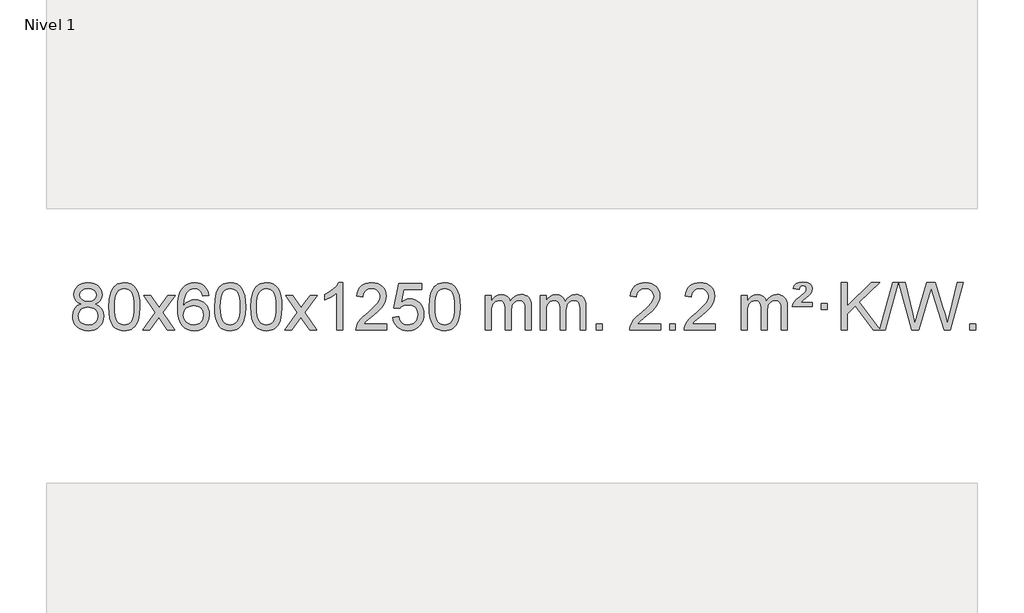
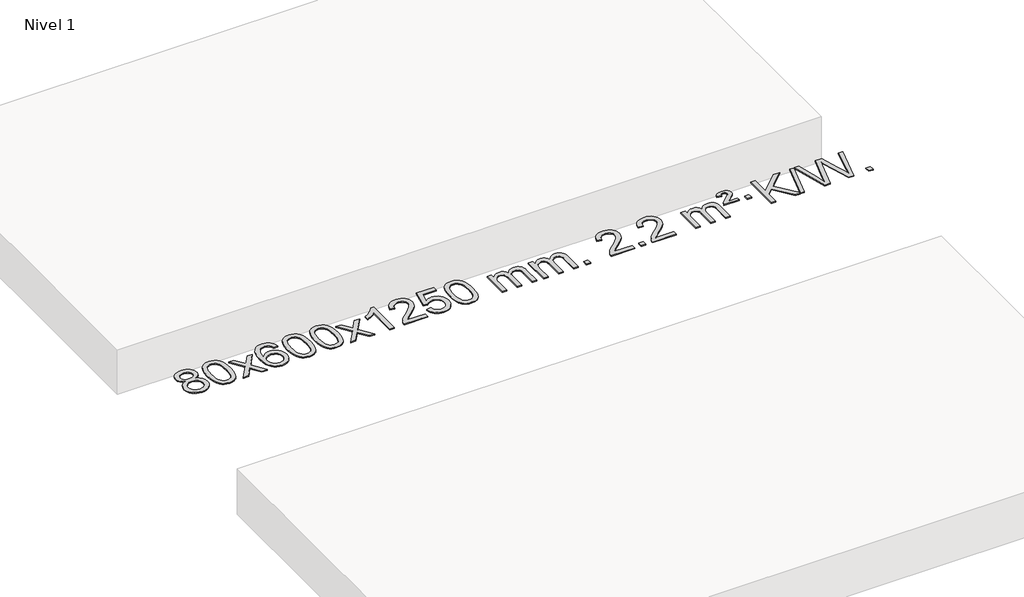
# One storey, part 3 of 4: 1 proxy.
"""IFC4 building model written with IfcOpenShell, lengths in millimetres."""

from ifc_helpers import new_model, si_unit, origin, origin_with_axes, place, context, project, spatial, polyline, outline, extrude, element, save

model = new_model("IFC4")

# Units and contexts
model_context = context("Model", 3, world=origin())
ifc_project = project(units=[si_unit("LENGTHUNIT", "METRE", prefix="MILLI")], contexts=[model_context])

# Site, building, storey
site = spatial("IfcSite", under=ifc_project)
building = spatial("IfcBuilding", under=site)
storey = spatial("IfcBuildingStorey", under=building, Name="Nivel 1", Elevation=0.0)

# Proxy
placement = place(None, origin())
element("IfcBuildingElementProxy", 1, Name="Texto de modelo 1", ObjectType="Texto de modelo 1", at=placement, inside=storey, context=model_context, shape_type="SweptSolid", body=[
    extrude(outline(polyline([(-19365.1487561, -6031.5927127), (-19392.04093, -6018.3489608), (-19410.9132763, -6000.3963195), (-19422.0601008, -5978.1026706), (-19425.7757089, -5951.8358961), (-19423.752358, -5931.3510003), (-19417.682305, -5912.5706245), (-19407.5655502, -5895.4947686), (-19393.4020933, -5880.1234325), (-19375.8725163, -5867.419241), (-19355.6574006, -5858.3448184), (-19332.7567464, -5852.9001649), (-19307.1705537, -5851.0852804), (-19281.4617336, -5852.9430844), (-19258.3894011, -5858.5164967), (-19237.9535563, -5867.805517), (-19220.1541991, -5880.8101456), (-19205.7332249, -5896.4819186), (-19195.432529, -5913.7723723), (-19189.2521115, -5932.6815069), (-19187.1919723, -5953.2093222), (-19190.8585295, -5978.6299681), (-19201.8582012, -6000.5434723), (-19220.3136146, -6018.385749), (-19246.3473971, -6031.5927127), (-19215.4330468, -6047.5220031), (-19192.9309314, -6070.9806116), (-19179.208933, -6100.8403669), (-19174.6349336, -6135.9730974), (-19176.9035392, -6161.0258613), (-19183.7093561, -6183.9939605), (-19195.0523843, -6204.8773951), (-19210.9326237, -6223.6761651), (-19230.5162086, -6239.213048), (-19252.9692731, -6250.3108215), (-19278.2918171, -6256.9694856), (-19306.4838406, -6259.1890403), (-19334.6758642, -6256.9602886), (-19359.9984082, -6250.2740333), (-19382.4514726, -6239.1302746), (-19402.0350575, -6223.5290123), (-19417.915297, -6204.5984179), (-19429.2583251, -6183.466663), (-19436.0641421, -6160.1337475), (-19438.3327477, -6134.5996713), (-19433.5748072, -6098.1057774), (-19419.3009858, -6068.0866066), (-19396.2470474, -6045.5722285), (-19365.1487561, -6031.5927127)]), holes=[polyline([(-19375.5475538, -5953.3074241), (-19371.0961817, -5975.233191), (-19357.7420653, -5992.744374), (-19335.877612, -6004.2222922), (-19305.8952294, -6008.048265), (-19276.6118226, -6004.2468177), (-19255.0784632, -5992.8424758), (-19241.8347113, -5975.9199041), (-19237.4201274, -5955.563767), (-19241.9818641, -5934.4350777), (-19255.6670744, -5916.960683), (-19277.4947394, -5905.2252473), (-19306.4838406, -5901.3134354), (-19335.6568828, -5905.1394082), (-19357.4477597, -5916.6173264), (-19371.0226053, -5933.4417964), (-19375.5475538, -5953.3074241)]), polyline([(-19388.1045926, -6132.8338377), (-19386.0076652, -6152.0495406), (-19379.7168831, -6170.6521068), (-19368.1040748, -6186.8757028), (-19350.0410689, -6198.954495), (-19328.4096075, -6206.4592877), (-19306.0914332, -6208.9608853), (-19271.9029331, -6203.7001727), (-19258.0092564, -6197.1242821), (-19246.2492953, -6187.9180351), (-19230.2096403, -6164.0179682), (-19224.8630886, -6134.4034676), (-19230.3813186, -6104.2861949), (-19246.9360083, -6079.8588304), (-19259.0148005, -6070.4165259), (-19273.1782573, -6063.6720226), (-19307.7591649, -6058.27642), (-19341.4694184, -6063.5984462), (-19355.2067452, -6070.250979), (-19366.8655388, -6079.5645248), (-19382.7948292, -6103.5259055), (-19388.1045926, -6132.8338377)])]), origin_with_axes(), (0.0, 0.0, 1.0), 10.0),
    extrude(outline(polyline([(-19130.6852979, -6055.2352622), (-19126.9942152, -5990.9172267), (-19115.9209671, -5939.6222139), (-19097.5759183, -5900.5654087), (-19085.7178553, -5885.3320284), (-19072.0694333, -5872.9619963), (-19056.584667, -5863.3909331), (-19039.2175711, -5856.5544594), (-18998.8363908, -5851.0852804), (-18967.8852523, -5854.3226419), (-18940.1714753, -5864.0347266), (-18916.9949096, -5879.8413897), (-18899.6554049, -5901.3624864), (-18886.5588059, -5928.4140758), (-18876.1109572, -5960.8122168), (-18869.2683521, -6001.9536866), (-18866.9874837, -6055.2352622), (-18870.6417782, -6119.1854157), (-18881.6046617, -6170.3578012), (-18899.8393459, -6209.4513946), (-18911.6698177, -6224.7307601), (-18925.3090427, -6237.1651716), (-18940.8122031, -6246.8006142), (-18958.2344813, -6253.6830732), (-18998.8363908, -6259.1890403), (-19026.5011168, -6256.7978074), (-19051.0265832, -6249.6241085), (-19072.4127898, -6237.6679436), (-19090.6597368, -6220.9293129), (-19108.1709198, -6190.6710187), (-19120.6789076, -6152.9692456), (-19128.1837003, -6107.8239934), (-19130.6852979, -6055.2352622)]), holes=[polyline([(-19080.4571428, -6055.1371604), (-19078.9856148, -6098.8016875), (-19074.5710309, -6134.1459502), (-19067.213391, -6161.1699484), (-19056.9126951, -6179.8736822), (-19044.4537582, -6192.5993335), (-19030.6213952, -6201.6890845), (-19015.415606, -6207.1429351), (-18998.8363908, -6208.9608853), (-18982.2571755, -6207.1368037), (-18967.0513864, -6201.664559), (-18953.2190234, -6192.5441512), (-18940.7600865, -6179.7755803), (-18930.4593906, -6161.0411897), (-18923.1017507, -6134.0233229), (-18918.6871668, -6098.7219797), (-18917.2156388, -6055.1371604), (-18918.6381158, -6012.6283958), (-18922.905547, -5977.9064668), (-18930.0179322, -5950.9713734), (-18939.9752716, -5931.8231156), (-18952.225742, -5918.4751305), (-18966.2175205, -5908.9408555), (-18981.9506072, -5903.2202904), (-18999.425002, -5901.3134354), (-19015.9183781, -5902.9934299), (-19030.8666498, -5908.0334132), (-19044.2698172, -5916.4333854), (-19056.1278802, -5928.1933466), (-19066.7719326, -5949.0399929), (-19074.3748271, -5977.1461774), (-19078.9365639, -6012.5118998), (-19080.4571428, -6055.1371604)])]), origin_with_axes(), (0.0, 0.0, 1.0), 10.0),
    extrude(outline(polyline([(-18841.8734062, -6252.910521), (-18734.5499655, -6104.5805005), (-18835.5948868, -5957.8201099), (-18775.1641377, -5957.8201099), (-18726.4075106, -6028.453453), (-18703.6478779, -6061.8080872), (-18683.9294029, -6034.5357686), (-18628.4037471, -5957.8201099), (-18567.972998, -5957.8201099), (-18674.1192164, -6104.5805005), (-18571.8970727, -6252.910521), (-18632.3278217, -6252.910521), (-18693.8376913, -6163.7359253), (-18705.1194058, -6147.4510157), (-18781.4426571, -6252.910521), (-18841.8734062, -6252.910521)])), origin_with_axes(), (0.0, 0.0, 1.0), 10.0),
    extrude(outline(polyline([(-18283.085181, -5957.8201099), (-18333.313336, -5964.0986293), (-18341.4067399, -5939.2052809), (-18352.3450979, -5922.2091328), (-18375.1292562, -5906.5373598), (-18402.6713549, -5901.3134354), (-18426.0195988, -5904.3545933), (-18447.9944167, -5913.4780667), (-18466.866763, -5932.6937696), (-18482.2810186, -5959.1444851), (-18492.6920791, -5996.558084), (-18496.55484, -6048.6624372), (-18476.4071694, -6025.1547778), (-18452.2618478, -6008.5878252), (-18425.4677758, -5998.765376), (-18397.3738541, -5995.4912262), (-18373.2407953, -5997.729175), (-18350.9716718, -6004.4430214), (-18330.5664838, -6015.6327654), (-18312.0252313, -6031.2984071), (-18296.617107, -6050.5079786), (-18285.611304, -6072.3295123), (-18279.0078222, -6096.7630081), (-18276.8066616, -6123.8084661), (-18280.9514654, -6159.7750625), (-18293.3858768, -6193.117434), (-18313.0798263, -6221.3952967), (-18339.0032442, -6242.1683667), (-18369.9789082, -6254.9338719), (-18404.8295959, -6259.1890403), (-18434.7721246, -6256.3686117), (-18461.814517, -6247.9073258), (-18485.9567729, -6233.8051827), (-18507.1988924, -6214.0621823), (-18524.5169374, -6187.8444588), (-18536.8869694, -6154.3181463), (-18544.3089887, -6113.4832448), (-18546.7829951, -6065.3397544), (-18544.0361429, -6011.3653343), (-18535.7955862, -5965.3003771), (-18522.061325, -5927.1448829), (-18502.8333594, -5896.8988515), (-18481.9928444, -5876.8554141), (-18457.8291287, -5862.5386731), (-18430.3422123, -5853.9486286), (-18399.5320952, -5851.0852804), (-18376.398449, -5852.8572453), (-18355.4598322, -5858.1731401), (-18336.7162445, -5867.0329649), (-18320.1676861, -5879.4367195), (-18306.2617467, -5894.967471), (-18295.446016, -5913.2082866), (-18287.7204941, -5934.1591662), (-18283.085181, -5957.8201099)]), holes=[polyline([(-18496.55484, -6123.0236512), (-18493.6485723, -6145.2805119), (-18484.929769, -6166.5318285), (-18471.3917116, -6184.8033009), (-18454.0276814, -6198.1206291), (-18433.0706704, -6206.2508212), (-18408.7536705, -6208.9608853), (-18375.6075028, -6203.3445535), (-18361.6923663, -6196.3241387), (-18349.5491948, -6186.4955581), (-18339.6991543, -6174.2573504), (-18332.6634112, -6160.0080544), (-18327.0348167, -6125.4761978), (-18332.5898348, -6092.3300301), (-18339.5336074, -6078.7091992), (-18349.2548892, -6067.056537), (-18361.4348489, -6057.7215314), (-18375.7546556, -6051.0536702), (-18410.8138097, -6045.7193813), (-18443.9109265, -6051.0536702), (-18471.5879153, -6067.056537), (-18482.5109449, -6078.555915), (-18490.3131089, -6091.7168934), (-18494.9944072, -6106.5394721), (-18496.55484, -6123.0236512)])]), origin_with_axes(), (0.0, 0.0, 1.0), 10.0),
    extrude(outline(polyline([(-18232.8570259, -6055.2352622), (-18229.1659432, -5990.9172267), (-18218.0926952, -5939.6222139), (-18199.7476463, -5900.5654087), (-18187.8895834, -5885.3320284), (-18174.2411613, -5872.9619963), (-18158.756395, -5863.3909331), (-18141.3892992, -5856.5544594), (-18101.0081188, -5851.0852804), (-18070.0569803, -5854.3226419), (-18042.3432033, -5864.0347266), (-18019.1666376, -5879.8413897), (-18001.8271329, -5901.3624864), (-17988.7305339, -5928.4140758), (-17978.2826852, -5960.8122168), (-17971.4400801, -6001.9536866), (-17969.1592118, -6055.2352622), (-17972.8135062, -6119.1854157), (-17983.7763897, -6170.3578012), (-18002.0110739, -6209.4513946), (-18013.8415458, -6224.7307601), (-18027.4807707, -6237.1651716), (-18042.9839311, -6246.8006142), (-18060.4062093, -6253.6830732), (-18101.0081188, -6259.1890403), (-18128.6728449, -6256.7978074), (-18153.1983112, -6249.6241085), (-18174.5845179, -6237.6679436), (-18192.8314648, -6220.9293129), (-18210.3426478, -6190.6710187), (-18222.8506356, -6152.9692456), (-18230.3554283, -6107.8239934), (-18232.8570259, -6055.2352622)]), holes=[polyline([(-18182.6288708, -6055.1371604), (-18181.1573428, -6098.8016875), (-18176.7427589, -6134.1459502), (-18169.385119, -6161.1699484), (-18159.0844231, -6179.8736822), (-18146.6254862, -6192.5993335), (-18132.7931232, -6201.6890845), (-18117.5873341, -6207.1429351), (-18101.0081188, -6208.9608853), (-18084.4289036, -6207.1368037), (-18069.2231144, -6201.664559), (-18055.3907514, -6192.5441512), (-18042.9318145, -6179.7755803), (-18032.6311187, -6161.0411897), (-18025.2734788, -6134.0233229), (-18020.8588948, -6098.7219797), (-18019.3873668, -6055.1371604), (-18020.8098439, -6012.6283958), (-18025.077275, -5977.9064668), (-18032.1896603, -5950.9713734), (-18042.1469996, -5931.8231156), (-18054.39747, -5918.4751305), (-18068.3892486, -5908.9408555), (-18084.1223352, -5903.2202904), (-18101.59673, -5901.3134354), (-18118.0901061, -5902.9934299), (-18133.0383779, -5908.0334132), (-18146.4415452, -5916.4333854), (-18158.2996082, -5928.1933466), (-18168.9436606, -5949.0399929), (-18176.5465552, -5977.1461774), (-18181.1082919, -6012.5118998), (-18182.6288708, -6055.1371604)])]), origin_with_axes(), (0.0, 0.0, 1.0), 10.0),
    extrude(outline(polyline([(-17925.2095761, -6055.2352622), (-17921.5184934, -5990.9172267), (-17910.4452453, -5939.6222139), (-17892.1001965, -5900.5654087), (-17880.2421335, -5885.3320284), (-17866.5937115, -5872.9619963), (-17851.1089452, -5863.3909331), (-17833.7418493, -5856.5544594), (-17793.360669, -5851.0852804), (-17762.4095305, -5854.3226419), (-17734.6957535, -5864.0347266), (-17711.5191878, -5879.8413897), (-17694.1796831, -5901.3624864), (-17681.0830841, -5928.4140758), (-17670.6352354, -5960.8122168), (-17663.7926303, -6001.9536866), (-17661.5117619, -6055.2352622), (-17665.1660564, -6119.1854157), (-17676.1289399, -6170.3578012), (-17694.3636241, -6209.4513946), (-17706.1940959, -6224.7307601), (-17719.8333209, -6237.1651716), (-17735.3364813, -6246.8006142), (-17752.7587595, -6253.6830732), (-17793.360669, -6259.1890403), (-17821.025395, -6256.7978074), (-17845.5508614, -6249.6241085), (-17866.937068, -6237.6679436), (-17885.184015, -6220.9293129), (-17902.695198, -6190.6710187), (-17915.2031858, -6152.9692456), (-17922.7079785, -6107.8239934), (-17925.2095761, -6055.2352622)]), holes=[polyline([(-17874.981421, -6055.1371604), (-17873.509893, -6098.8016875), (-17869.0953091, -6134.1459502), (-17861.7376692, -6161.1699484), (-17851.4369733, -6179.8736822), (-17838.9780364, -6192.5993335), (-17825.1456734, -6201.6890845), (-17809.9398842, -6207.1429351), (-17793.360669, -6208.9608853), (-17776.7814537, -6207.1368037), (-17761.5756646, -6201.664559), (-17747.7433016, -6192.5441512), (-17735.2843647, -6179.7755803), (-17724.9836688, -6161.0411897), (-17717.6260289, -6134.0233229), (-17713.211445, -6098.7219797), (-17711.739917, -6055.1371604), (-17713.162394, -6012.6283958), (-17717.4298252, -5977.9064668), (-17724.5422104, -5950.9713734), (-17734.4995498, -5931.8231156), (-17746.7500202, -5918.4751305), (-17760.7417988, -5908.9408555), (-17776.4748854, -5903.2202904), (-17793.9492802, -5901.3134354), (-17810.4426563, -5902.9934299), (-17825.390928, -5908.0334132), (-17838.7940954, -5916.4333854), (-17850.6521584, -5928.1933466), (-17861.2962108, -5949.0399929), (-17868.8991053, -5977.1461774), (-17873.4608421, -6012.5118998), (-17874.981421, -6055.1371604)])]), origin_with_axes(), (0.0, 0.0, 1.0), 10.0),
    extrude(outline(polyline([(-17636.3976844, -6252.910521), (-17529.0742437, -6104.5805005), (-17630.119165, -5957.8201099), (-17569.6884159, -5957.8201099), (-17520.9317888, -6028.453453), (-17498.1721561, -6061.8080872), (-17478.4536811, -6034.5357686), (-17422.9280253, -5957.8201099), (-17362.4972762, -5957.8201099), (-17468.6434946, -6104.5805005), (-17366.4213509, -6252.910521), (-17426.8520999, -6252.910521), (-17488.3619695, -6163.7359253), (-17499.643684, -6147.4510157), (-17575.9669353, -6252.910521), (-17636.3976844, -6252.910521)])), origin_with_axes(), (0.0, 0.0, 1.0), 10.0),
    extrude(outline(polyline([(-17146.6731724, -6252.910521), (-17196.9013275, -6252.910521), (-17196.9013275, -5939.7693667), (-17217.8706012, -5956.7287266), (-17244.4807322, -5973.6635612), (-17297.3576376, -5999.0228934), (-17297.3576376, -5951.5415905), (-17257.908425, -5930.0818075), (-17223.7321877, -5904.550797), (-17196.7909629, -5877.4011058), (-17179.046788, -5851.0852804), (-17146.6731724, -5851.0852804), (-17146.6731724, -6252.910521)])), origin_with_axes(), (0.0, 0.0, 1.0), 10.0),
    extrude(outline(polyline([(-16769.9620093, -6202.6823659), (-16769.9620093, -6252.910521), (-17033.6598235, -6252.910521), (-17032.5561775, -6235.2276597), (-17028.2642209, -6218.2805625), (-17015.8788604, -6191.2167104), (-16997.7545408, -6164.9621987), (-16971.5368172, -6137.4814136), (-16934.871245, -6106.7387415), (-16880.6699644, -6058.5952511), (-16848.1491961, -6023.0578504), (-16831.8888119, -5994.215902), (-16826.4686838, -5966.1587685), (-16831.5822435, -5941.0079027), (-16846.9229227, -5920.0999427), (-16870.5041586, -5906.0100622), (-16900.3393884, -5901.3134354), (-16931.6706717, -5905.8996976), (-16956.012197, -5919.6584843), (-16971.7207582, -5941.5106748), (-16977.153149, -5970.3771487), (-17027.3813041, -5964.0986293), (-17023.0617563, -5938.16908), (-17015.2044101, -5915.5136805), (-17003.8092653, -5896.1324307), (-16988.8763219, -5880.0253307), (-16970.7489366, -5867.3640587), (-16949.7704659, -5858.3202929), (-16925.9409096, -5852.8940335), (-16899.2602679, -5851.0852804), (-16872.3405029, -5853.0963686), (-16848.382188, -5859.1296333), (-16827.3853231, -5869.1850745), (-16809.3499083, -5883.2626922), (-16794.8645547, -5900.3201541), (-16784.5178736, -5919.3151277), (-16778.309865, -5940.2476133), (-16776.2405287, -5963.1176106), (-16778.4723462, -5987.1403049), (-16785.1677985, -6010.7460663), (-16797.0503869, -6034.7564978), (-16814.8436128, -6059.9932027), (-16843.2073146, -6090.1227381), (-16886.801331, -6128.8116613), (-16944.5833297, -6177.12683), (-16967.2448606, -6202.6823659), (-16769.9620093, -6202.6823659)])), origin_with_axes(), (0.0, 0.0, 1.0), 10.0),
    extrude(outline(polyline([(-16719.7338543, -6146.1756914), (-16669.5056992, -6139.897172), (-16660.2841238, -6170.0512329), (-16644.1954179, -6191.645906), (-16621.3131578, -6204.6321405), (-16591.7109199, -6208.9608853), (-16572.5810562, -6207.4556348), (-16555.7075354, -6202.9398833), (-16541.0903574, -6195.4136308), (-16528.7295224, -6184.8768773), (-16518.9009417, -6171.850789), (-16511.880527, -6156.856532), (-16506.2641952, -6120.963512), (-16511.5249077, -6087.1674194), (-16518.1007984, -6073.2492173), (-16527.3070453, -6061.3175779), (-16539.1743054, -6051.7465146), (-16553.7332353, -6044.9100409), (-16590.926105, -6039.4408619), (-16615.2921558, -6041.6236284), (-16635.0228935, -6048.1719279), (-16650.7805056, -6058.2028437), (-16663.2271798, -6070.8334588), (-16713.4553349, -6064.5549394), (-16669.5056992, -5857.3637998), (-16474.8715983, -5857.3637998), (-16474.8715983, -5907.5919548), (-16628.8915269, -5907.5919548), (-16650.3758354, -6018.250859), (-16632.6500546, -6005.5466674), (-16614.4950782, -5996.4722449), (-16595.9109061, -5991.0275913), (-16576.8975383, -5989.2127068), (-16552.4364513, -5991.4629184), (-16529.9680584, -5998.213553), (-16509.4923597, -6009.4646107), (-16491.0093551, -6025.2160914), (-16475.7085298, -6044.5053707), (-16464.7793689, -6066.3698239), (-16458.2218723, -6090.8094512), (-16456.0360401, -6117.8242523), (-16458.0042088, -6143.8457721), (-16463.9087148, -6168.0524074), (-16473.7495582, -6190.4441582), (-16487.5267389, -6211.0210244), (-16508.3979108, -6232.0945314), (-16532.7516989, -6247.1470364), (-16560.5881032, -6256.1785394), (-16591.9071237, -6259.1890403), (-16617.8274759, -6257.2545942), (-16641.2400992, -6251.4512557), (-16662.1449936, -6241.7790249), (-16680.5421591, -6228.2379018), (-16695.8491157, -6211.5023367), (-16707.4833838, -6192.24678), (-16715.4449633, -6170.4712315), (-16719.7338543, -6146.1756914)])), origin_with_axes(), (0.0, 0.0, 1.0), 10.0),
    extrude(outline(polyline([(-16412.0864044, -6055.2352622), (-16408.3953218, -5990.9172267), (-16397.3220737, -5939.6222139), (-16378.9770249, -5900.5654087), (-16367.1189619, -5885.3320284), (-16353.4705399, -5872.9619963), (-16337.9857736, -5863.3909331), (-16320.6186777, -5856.5544594), (-16280.2374974, -5851.0852804), (-16249.2863588, -5854.3226419), (-16221.5725819, -5864.0347266), (-16198.3960162, -5879.8413897), (-16181.0565115, -5901.3624864), (-16167.9599124, -5928.4140758), (-16157.5120638, -5960.8122168), (-16150.6694587, -6001.9536866), (-16148.3885903, -6055.2352622), (-16152.0428848, -6119.1854157), (-16163.0057682, -6170.3578012), (-16181.2404525, -6209.4513946), (-16193.0709243, -6224.7307601), (-16206.7101493, -6237.1651716), (-16222.2133097, -6246.8006142), (-16239.6355878, -6253.6830732), (-16280.2374974, -6259.1890403), (-16307.9022234, -6256.7978074), (-16332.4276897, -6249.6241085), (-16353.8138964, -6237.6679436), (-16372.0608434, -6220.9293129), (-16389.5720263, -6190.6710187), (-16402.0800142, -6152.9692456), (-16409.5848069, -6107.8239934), (-16412.0864044, -6055.2352622)]), holes=[polyline([(-16361.8582494, -6055.1371604), (-16360.3867214, -6098.8016875), (-16355.9721374, -6134.1459502), (-16348.6144975, -6161.1699484), (-16338.3138017, -6179.8736822), (-16325.8548648, -6192.5993335), (-16312.0225017, -6201.6890845), (-16296.8167126, -6207.1429351), (-16280.2374974, -6208.9608853), (-16263.6582821, -6207.1368037), (-16248.452493, -6201.664559), (-16234.62013, -6192.5441512), (-16222.1611931, -6179.7755803), (-16211.8604972, -6161.0411897), (-16204.5028573, -6134.0233229), (-16200.0882733, -6098.7219797), (-16198.6167454, -6055.1371604), (-16200.0392224, -6012.6283958), (-16204.3066536, -5977.9064668), (-16211.4190388, -5950.9713734), (-16221.3763781, -5931.8231156), (-16233.6268486, -5918.4751305), (-16247.6186271, -5908.9408555), (-16263.3517138, -5903.2202904), (-16280.8261086, -5901.3134354), (-16297.3194847, -5902.9934299), (-16312.2677564, -5908.0334132), (-16325.6709238, -5916.4333854), (-16337.5289867, -5928.1933466), (-16348.1730391, -5949.0399929), (-16355.7759337, -5977.1461774), (-16360.3376704, -6012.5118998), (-16361.8582494, -6055.1371604)])]), origin_with_axes(), (0.0, 0.0, 1.0), 10.0),
    extrude(outline(polyline([(-15934.9189312, -6252.910521), (-15934.9189312, -5957.8201099), (-15884.6907762, -5957.8201099), (-15884.6907762, -6006.3805333), (-15869.5830889, -5984.0746216), (-15850.1589195, -5966.6002269), (-15827.0804557, -5955.3062496), (-15801.009885, -5951.5415905), (-15773.0753788, -5955.379826), (-15750.683628, -5966.8945324), (-15733.95726, -5985.3254204), (-15723.018902, -6009.9122004), (-15704.7106414, -5984.3750586), (-15683.8272068, -5966.134243), (-15660.3685982, -5955.1897536), (-15634.3348157, -5951.5415905), (-15614.226999, -5953.0591037), (-15596.5778603, -5957.6116434), (-15581.3873995, -5965.1992096), (-15568.6556168, -5975.8218022), (-15558.5909786, -5989.6020486), (-15551.4019513, -6006.6625761), (-15547.0885349, -6027.0033848), (-15545.6507294, -6050.6244745), (-15545.6507294, -6252.910521), (-15595.8788845, -6252.910521), (-15595.8788845, -6072.2068849), (-15597.0438441, -6047.1541211), (-15600.5387231, -6030.2683375), (-15607.0870226, -6018.7045801), (-15617.4122439, -6009.6178948), (-15630.6927839, -6003.7317829), (-15646.1070395, -6001.7697456), (-15673.3180445, -6006.7974662), (-15695.5013288, -6021.880628), (-15704.1067018, -6033.4505167), (-15710.2533968, -6048.0493006), (-15715.1707528, -6086.3335535), (-15715.1707528, -6252.910521), (-15765.3989078, -6252.910521), (-15765.3989078, -6066.6150786), (-15768.3051756, -6038.2145886), (-15777.0239789, -6017.9565534), (-15792.3646581, -6005.8164475), (-15815.1365536, -6001.7697456), (-15834.4871465, -6004.4675469), (-15852.3171606, -6012.5609508), (-15867.0324404, -6025.8537535), (-15877.0388307, -6044.1497514), (-15882.7777898, -6069.5336091), (-15884.6907762, -6104.0899912), (-15884.6907762, -6252.910521), (-15934.9189312, -6252.910521)])), origin_with_axes(), (0.0, 0.0, 1.0), 10.0),
    extrude(outline(polyline([(-15470.3084968, -6252.910521), (-15470.3084968, -5957.8201099), (-15420.0803417, -5957.8201099), (-15420.0803417, -6006.3805333), (-15404.9726544, -5984.0746216), (-15385.5484851, -5966.6002269), (-15362.4700213, -5955.3062496), (-15336.3994505, -5951.5415905), (-15308.4649444, -5955.379826), (-15286.0731936, -5966.8945324), (-15269.3468256, -5985.3254204), (-15258.4084676, -6009.9122004), (-15240.1002069, -5984.3750586), (-15219.2167723, -5966.134243), (-15195.7581638, -5955.1897536), (-15169.7243813, -5951.5415905), (-15149.6165645, -5953.0591037), (-15131.9674258, -5957.6116434), (-15116.7769651, -5965.1992096), (-15104.0451824, -5975.8218022), (-15093.9805441, -5989.6020486), (-15086.7915168, -6006.6625761), (-15082.4781004, -6027.0033848), (-15081.040295, -6050.6244745), (-15081.040295, -6252.910521), (-15131.26845, -6252.910521), (-15131.26845, -6072.2068849), (-15132.4334097, -6047.1541211), (-15135.9282886, -6030.2683375), (-15142.4765881, -6018.7045801), (-15152.8018095, -6009.6178948), (-15166.0823495, -6003.7317829), (-15181.4966051, -6001.7697456), (-15208.70761, -6006.7974662), (-15230.8908943, -6021.880628), (-15239.4962673, -6033.4505167), (-15245.6429623, -6048.0493006), (-15250.5603183, -6086.3335535), (-15250.5603183, -6252.910521), (-15300.7884734, -6252.910521), (-15300.7884734, -6066.6150786), (-15303.6947412, -6038.2145886), (-15312.4135445, -6017.9565534), (-15327.7542237, -6005.8164475), (-15350.5261192, -6001.7697456), (-15369.8767121, -6004.4675469), (-15387.7067261, -6012.5609508), (-15402.4220059, -6025.8537535), (-15412.4283962, -6044.1497514), (-15418.1673553, -6069.5336091), (-15420.0803417, -6104.0899912), (-15420.0803417, -6252.910521), (-15470.3084968, -6252.910521)])), origin_with_axes(), (0.0, 0.0, 1.0), 10.0),
    extrude(outline(polyline([(-14993.1410236, -6252.910521), (-14993.1410236, -6202.6823659), (-14942.9128685, -6202.6823659), (-14942.9128685, -6252.910521), (-14993.1410236, -6252.910521)])), origin_with_axes(), (0.0, 0.0, 1.0), 10.0),
    extrude(outline(polyline([(-14446.9098371, -6202.6823659), (-14446.9098371, -6252.910521), (-14710.6076513, -6252.910521), (-14709.5040053, -6235.2276597), (-14705.2120487, -6218.2805625), (-14692.8266882, -6191.2167104), (-14674.7023685, -6164.9621987), (-14648.484645, -6137.4814136), (-14611.8190728, -6106.7387415), (-14557.6177922, -6058.5952511), (-14525.0970238, -6023.0578504), (-14508.8366397, -5994.215902), (-14503.4165116, -5966.1587685), (-14508.5300713, -5941.0079027), (-14523.8707505, -5920.0999427), (-14547.4519864, -5906.0100622), (-14577.2872162, -5901.3134354), (-14608.6184995, -5905.8996976), (-14632.9600248, -5919.6584843), (-14648.668586, -5941.5106748), (-14654.1009768, -5970.3771487), (-14704.3291319, -5964.0986293), (-14700.0095841, -5938.16908), (-14692.1522379, -5915.5136805), (-14680.7570931, -5896.1324307), (-14665.8241497, -5880.0253307), (-14647.6967644, -5867.3640587), (-14626.7182936, -5858.3202929), (-14602.8887374, -5852.8940335), (-14576.2080957, -5851.0852804), (-14549.2883307, -5853.0963686), (-14525.3300158, -5859.1296333), (-14504.3331509, -5869.1850745), (-14486.2977361, -5883.2626922), (-14471.8123825, -5900.3201541), (-14461.4657014, -5919.3151277), (-14455.2576927, -5940.2476133), (-14453.1883565, -5963.1176106), (-14455.420174, -5987.1403049), (-14462.1156263, -6010.7460663), (-14473.9982147, -6034.7564978), (-14491.7914405, -6059.9932027), (-14520.1551424, -6090.1227381), (-14563.7491588, -6128.8116613), (-14621.5311575, -6177.12683), (-14644.1926884, -6202.6823659), (-14446.9098371, -6202.6823659)])), origin_with_axes(), (0.0, 0.0, 1.0), 10.0),
    extrude(outline(polyline([(-14371.5676045, -6252.910521), (-14371.5676045, -6202.6823659), (-14321.3394494, -6202.6823659), (-14321.3394494, -6252.910521), (-14371.5676045, -6252.910521)])), origin_with_axes(), (0.0, 0.0, 1.0), 10.0),
    extrude(outline(polyline([(-13982.2994027, -6202.6823659), (-13982.2994027, -6252.910521), (-14245.9972168, -6252.910521), (-14244.8935708, -6235.2276597), (-14240.6016142, -6218.2805625), (-14228.2162537, -6191.2167104), (-14210.0919341, -6164.9621987), (-14183.8742106, -6137.4814136), (-14147.2086384, -6106.7387415), (-14093.0073578, -6058.5952511), (-14060.4865894, -6023.0578504), (-14044.2262052, -5994.215902), (-14038.8060772, -5966.1587685), (-14043.9196369, -5941.0079027), (-14059.2603161, -5920.0999427), (-14082.841552, -5906.0100622), (-14112.6767818, -5901.3134354), (-14144.008065, -5905.8996976), (-14168.3495904, -5919.6584843), (-14184.0581516, -5941.5106748), (-14189.4905424, -5970.3771487), (-14239.7186975, -5964.0986293), (-14235.3991497, -5938.16908), (-14227.5418034, -5915.5136805), (-14216.1466586, -5896.1324307), (-14201.2137153, -5880.0253307), (-14183.08633, -5867.3640587), (-14162.1078592, -5858.3202929), (-14138.278303, -5852.8940335), (-14111.5976613, -5851.0852804), (-14084.6778963, -5853.0963686), (-14060.7195813, -5859.1296333), (-14039.7227165, -5869.1850745), (-14021.6873016, -5883.2626922), (-14007.2019481, -5900.3201541), (-13996.855267, -5919.3151277), (-13990.6472583, -5940.2476133), (-13988.5779221, -5963.1176106), (-13990.8097395, -5987.1403049), (-13997.5051918, -6010.7460663), (-14009.3877803, -6034.7564978), (-14027.1810061, -6059.9932027), (-14055.5447079, -6090.1227381), (-14099.1387244, -6128.8116613), (-14156.9207231, -6177.12683), (-14179.582254, -6202.6823659), (-13982.2994027, -6202.6823659)])), origin_with_axes(), (0.0, 0.0, 1.0), 10.0),
    extrude(outline(polyline([(-13762.5512242, -6252.910521), (-13762.5512242, -5957.8201099), (-13712.3230692, -5957.8201099), (-13712.3230692, -6006.3805333), (-13697.2153819, -5984.0746216), (-13677.7912126, -5966.6002269), (-13654.7127487, -5955.3062496), (-13628.642178, -5951.5415905), (-13600.7076718, -5955.379826), (-13578.3159211, -5966.8945324), (-13561.589553, -5985.3254204), (-13550.651195, -6009.9122004), (-13532.3429344, -5984.3750586), (-13511.4594998, -5966.134243), (-13488.0008912, -5955.1897536), (-13461.9671087, -5951.5415905), (-13441.859292, -5953.0591037), (-13424.2101533, -5957.6116434), (-13409.0196926, -5965.1992096), (-13396.2879098, -5975.8218022), (-13386.2232716, -5989.6020486), (-13379.0342443, -6006.6625761), (-13374.7208279, -6027.0033848), (-13373.2830224, -6050.6244745), (-13373.2830224, -6252.910521), (-13423.5111775, -6252.910521), (-13423.5111775, -6072.2068849), (-13424.6761371, -6047.1541211), (-13428.1710161, -6030.2683375), (-13434.7193156, -6018.7045801), (-13445.0445369, -6009.6178948), (-13458.325077, -6003.7317829), (-13473.7393326, -6001.7697456), (-13500.9503375, -6006.7974662), (-13523.1336218, -6021.880628), (-13531.7389948, -6033.4505167), (-13537.8856898, -6048.0493006), (-13542.8030458, -6086.3335535), (-13542.8030458, -6252.910521), (-13593.0312009, -6252.910521), (-13593.0312009, -6066.6150786), (-13595.9374686, -6038.2145886), (-13604.6562719, -6017.9565534), (-13619.9969511, -6005.8164475), (-13642.7688466, -6001.7697456), (-13662.1194396, -6004.4675469), (-13679.9494536, -6012.5609508), (-13694.6647334, -6025.8537535), (-13704.6711237, -6044.1497514), (-13710.4100828, -6069.5336091), (-13712.3230692, -6104.0899912), (-13712.3230692, -6252.910521), (-13762.5512242, -6252.910521)])), origin_with_axes(), (0.0, 0.0, 1.0), 10.0),
    extrude(outline(polyline([(-13329.3333867, -6051.9979007), (-13325.507414, -6036.1789749), (-13317.1687554, -6020.3109981), (-13295.6599214, -5995.1723951), (-13263.7032388, -5967.4340927), (-13219.5573994, -5930.057282), (-13212.4204887, -5918.5303128), (-13210.0415184, -5906.709038), (-13211.9299793, -5894.6179831), (-13217.5953621, -5884.8323221), (-13226.9640902, -5878.3575989), (-13239.9625874, -5876.1993579), (-13252.3969988, -5877.8180387), (-13261.2506921, -5882.674081), (-13267.6763643, -5892.140911), (-13272.8267123, -5907.5919548), (-13323.0548673, -5901.3134354), (-13312.2146112, -5876.101256), (-13295.586345, -5858.5410221), (-13271.8211681, -5848.2403263), (-13239.5701799, -5844.806761), (-13203.7875245, -5848.9393021), (-13179.041329, -5861.3369253), (-13164.6203547, -5879.6697114), (-13159.8133633, -5901.607741), (-13163.9091162, -5924.5145266), (-13176.1963749, -5946.1459879), (-13196.7241902, -5965.9625647), (-13233.1935586, -5994.0196982), (-13258.7981455, -6020.6053037), (-13159.8133633, -6020.6053037), (-13159.8133633, -6051.9979007), (-13329.3333867, -6051.9979007)])), origin_with_axes(), (0.0, 0.0, 1.0), 10.0),
    extrude(outline(polyline([(-13084.4711307, -6077.1119782), (-13084.4711307, -6026.8838231), (-13034.2429757, -6026.8838231), (-13034.2429757, -6077.1119782), (-13084.4711307, -6077.1119782)])), origin_with_axes(), (0.0, 0.0, 1.0), 10.0),
    extrude(outline(polyline([(-12643.6013477, -6252.910521), (-12797.0326652, -6050.2320671), (-12864.7229523, -6114.7830945), (-12864.7229523, -6252.910521), (-12914.9511074, -6252.910521), (-12914.9511074, -5851.0852804), (-12864.7229523, -5851.0852804), (-12864.7229523, -6047.7795205), (-12658.709035, -5851.0852804), (-12588.4680994, -5851.0852804), (-12761.421688, -6016.2888217), (-12586.7680782, -6246.8660012), (-12475.4547504, -5851.0852804), (-12430.1316886, -5851.0852804), (-12543.1450376, -6252.910521), (-12582.18958, -6252.910521), (-12588.4680994, -6252.910521), (-12643.6013477, -6252.910521)])), origin_with_axes(), (0.0, 0.0, 1.0), 10.0),
    extrude(outline(polyline([(-12315.6468117, -6252.910521), (-12425.2265954, -5851.0852804), (-12373.4288105, -5851.0852804), (-12309.8588017, -6115.175502), (-12290.2384286, -6196.6981521), (-12269.2446294, -6124.593281), (-12189.5859147, -5851.0852804), (-12114.9303952, -5851.0852804), (-12057.0502946, -6049.3491503), (-12032.2550481, -6122.9255493), (-12013.9835757, -6196.6981521), (-11994.9518138, -6117.5299467), (-11930.7931939, -5851.0852804), (-11878.9954089, -5851.0852804), (-11988.6732944, -6252.910521), (-12042.3350148, -6252.910521), (-12138.6710466, -5942.9086264), (-12152.1110022, -5899.6457037), (-12167.2186894, -5951.7377942), (-12255.0198589, -6252.910521), (-12315.6468117, -6252.910521)])), origin_with_axes(), (0.0, 0.0, 1.0), 10.0),
    extrude(outline(polyline([(-11822.4887345, -6252.910521), (-11822.4887345, -6202.6823659), (-11772.2605794, -6202.6823659), (-11772.2605794, -6252.910521), (-11822.4887345, -6252.910521)])), origin_with_axes(), (0.0, 0.0, 1.0), 10.0),
])

save(model, "model.ifc")
